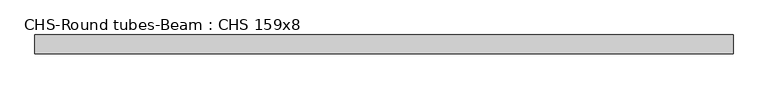
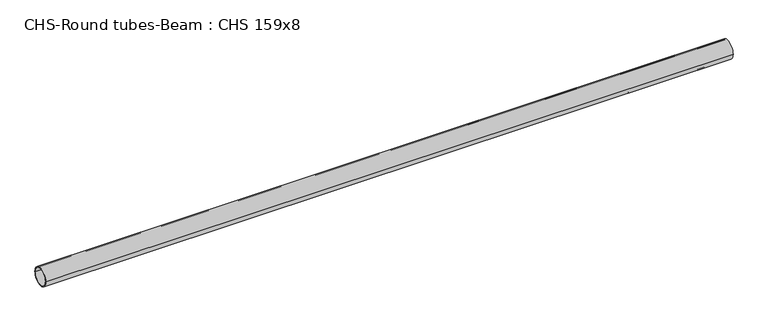
"""IFC4 building model written with IfcOpenShell, lengths in millimetres: beam geometry, CHS-Round tubes-Beam : CHS 159x8."""

from ifc_helpers import new_model, si_unit, point, frame, origin, origin_2d, place, context, project, spatial, circle_curve, trimmed, segment, composite_curve, outline, extrude, source, transform, mapped, element, save


def chs_round_tubes_beam_chs_159x8_bdcdbb0c(model_context):
    return source(origin(), model_context, "Body", "SweptSolid", [
        extrude(outline(composite_curve([segment(trimmed(circle_curve(origin_2d(), 79.5), [point((79.5, 0.0))], [point((-79.5, 0.0))], False, "CARTESIAN"), True, "CONTINUOUS"), segment(trimmed(circle_curve(origin_2d(), 79.5), [point((-79.5, 0.0))], [point((79.5, 0.0))], False, "CARTESIAN"), True, "CONTINUOUS")], self_intersect=False), holes=[composite_curve([segment(trimmed(circle_curve(origin_2d(), 71.5), [point((71.5, 0.0))], [point((-71.5, 0.0))], True, "CARTESIAN"), True, "CONTINUOUS"), segment(trimmed(circle_curve(origin_2d(), 71.5), [point((-71.5, 0.0))], [point((71.5, 0.0))], True, "CARTESIAN"), True, "CONTINUOUS")], self_intersect=False)]), frame((-2944.1762847, 0.0, 0.0), z_axis=(1.0, 0.0, 0.0), x_axis=(0.0, 1.0, 0.0)), (0.0, 0.0, 1.0), 5888.3522111),
    ])


if __name__ == "__main__":
    model = new_model("IFC4")
    model_context = context("Model", 3, world=origin())
    ifc_project = project(units=[si_unit("LENGTHUNIT", "METRE", prefix="MILLI")], contexts=[model_context])
    site = spatial("IfcSite", under=ifc_project)
    building = spatial("IfcBuilding", under=site)
    placement = place(None, origin())
    chs_round_tubes_beam_chs_159x8_shape = chs_round_tubes_beam_chs_159x8_bdcdbb0c(model_context)
    element("IfcBeam", 1, ObjectType="CHS-Round tubes-Beam : CHS 159x8", at=placement, inside=building, context=model_context, shape_type="MappedRepresentation", body=[
        mapped(chs_round_tubes_beam_chs_159x8_shape, transform((0.0, 0.0, 0.0), x_axis=(1.0, 0.0, 0.0), y_axis=(0.0, 1.0, 0.0), z_axis=(0.0, 0.0, 1.0))),
    ])
    save(model, "model.ifc")
